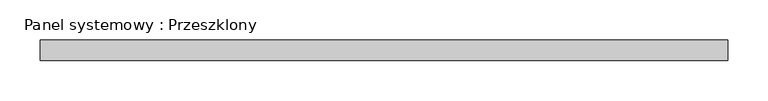
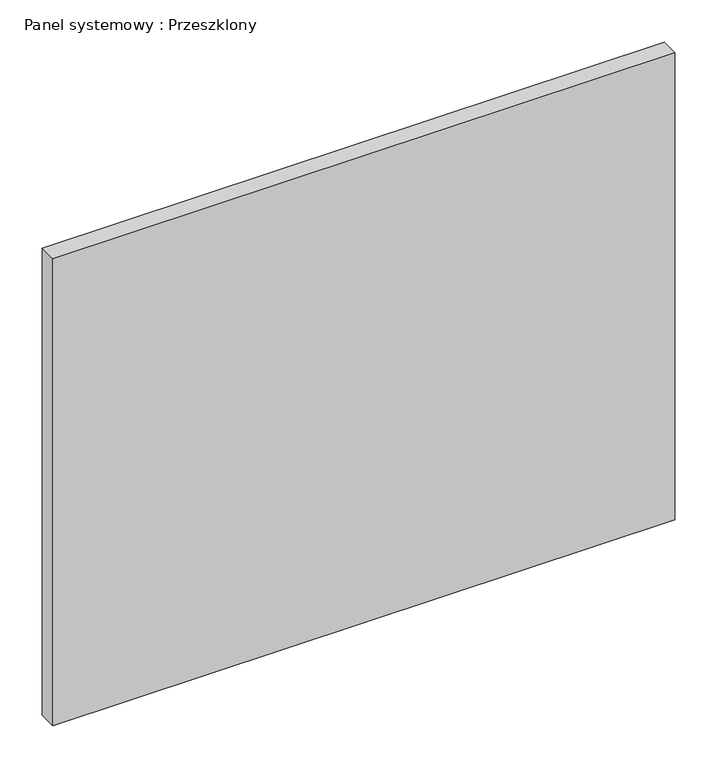
"""IFC4 building model written with IfcOpenShell, lengths in millimetres: plate geometry, Panel systemowy : Przeszklony."""

from ifc_helpers import new_model, si_unit, origin, origin_with_axes, place, context, project, spatial, polyline, outline, extrude, source, transform, mapped, element, save


def panel_systemowy_przeszklony_02099d69(model_context):
    return source(origin(), model_context, "Body", "SweptSolid", [
        extrude(outline(polyline([(425.0, 24.5), (-425.0, 24.5), (-425.0, 49.5), (425.0, 49.5), (425.0, 24.5)])), origin_with_axes(), (0.0, 0.0, 1.0), 675.0),
    ])


if __name__ == "__main__":
    model = new_model("IFC4")
    model_context = context("Model", 3, world=origin())
    ifc_project = project(units=[si_unit("LENGTHUNIT", "METRE", prefix="MILLI")], contexts=[model_context])
    site = spatial("IfcSite", under=ifc_project)
    building = spatial("IfcBuilding", under=site)
    placement = place(None, origin())
    panel_systemowy_przeszklony_shape = panel_systemowy_przeszklony_02099d69(model_context)
    element("IfcPlate", 1, ObjectType="Panel systemowy : Przeszklony", at=placement, inside=building, context=model_context, shape_type="MappedRepresentation", body=[
        mapped(panel_systemowy_przeszklony_shape, transform((0.0, 0.0, 0.0), x_axis=(1.0, 0.0, 0.0), y_axis=(0.0, 1.0, 0.0), z_axis=(0.0, 0.0, 1.0))),
    ])
    save(model, "model.ifc")
